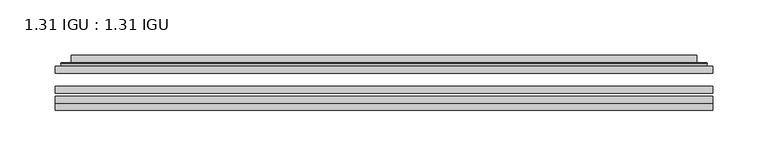
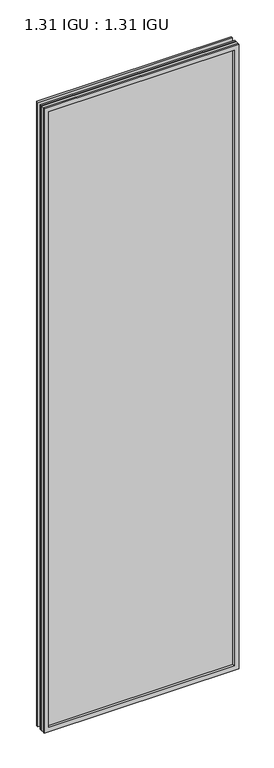
"""IFC4 building model written with IfcOpenShell, lengths in millimetres: plate geometry, 1.31 IGU : 1.31 IGU."""

from ifc_helpers import new_model, si_unit, frame, origin, place, context, project, spatial, polyline, ellipse_curve, outline, extrude, faceted_brep, source, transform, mapped, element, save
from ifc_brep_helpers import plane_surface, cylinder_surface, advanced_brep


def plate_1_31_igu_1_31_igu_c25d092a(model_context):
    return source(origin(), model_context, "Body", "SolidModel", [
        extrude(outline(polyline([(296.8798663, -63.59525), (296.8798663, -69.94525), (-296.8656913, -69.94525), (-296.8656913, -63.59525), (296.8798663, -63.59525)])), frame((0.0, 0.0, -14.2875), z_axis=(0.0, 0.0, 1.0), x_axis=(1.0, 0.0, 0.0)), (0.0, 0.0, 1.0), 2009.8015278),
        extrude(outline(polyline([(-296.8656913, -78.58125), (-296.8656913, -72.230745), (296.8798663, -72.230745), (296.8798663, -78.58125), (-296.8656913, -78.58125)])), frame((0.0, 0.0, -14.2875), z_axis=(0.0, 0.0, 1.0), x_axis=(1.0, 0.0, 0.0)), (0.0, 0.0, 1.0), 2009.8015278),
        extrude(outline(polyline([(296.8798663, -45.25645), (296.8798663, -51.60645), (-296.8656913, -51.60645), (-296.8656913, -45.25645), (296.8798663, -45.25645)])), frame((0.0, 0.0, -14.2875), z_axis=(0.0, 0.0, 1.0), x_axis=(1.0, 0.0, 0.0)), (0.0, 0.0, 1.0), 2009.8015278),
        faceted_brep([(-296.8783913, -84.93125, 1995.5229299), (-296.8783913, -78.58125, 1995.5229299), (-296.8783913, -78.58125, -14.3002), (-296.8783913, -84.93125, -14.3002), (296.8783913, -78.58125, -14.3002), (296.8783913, -84.93125, -14.3002), (296.8783913, -78.58125, 1995.5229299), (296.8783913, -84.93125, 1995.5229299), (-281.6804472, -78.58125, 0.8977441), (281.6804472, -78.58125, 0.8977441), (281.6804472, -78.58125, 1980.3249858), (-281.6804472, -78.58125, 1980.3249858), (-282.5728815, -84.93125, 1981.2174201), (282.5728815, -84.93125, 1981.2174201), (282.5728815, -84.93125, 0.0053098), (-282.5728815, -84.93125, 0.0053098)], [[[0, 1, 2, 3]], [[3, 2, 4, 5]], [[5, 4, 6, 7]], [[1, 6, 4, 2], [8, 9, 10, 11]], [[7, 6, 1, 0]], [[3, 5, 7, 0], [12, 13, 14, 15]], [[11, 12, 15, 8]], [[8, 15, 14, 9]], [[9, 14, 13, 10]], [[10, 13, 12, 11]]]),
        advanced_brep(
        [(-289.6244103, -45.25645, 1988.2689489), (-291.9786157, -43.2667833, 1990.6231543), (-291.9786157, -43.2667833, -9.4004244), (-289.6244103, -45.25645, -7.046219), (-280.5500852, -41.416413, 1979.1946238), (-275.6152534, -45.25645, 1974.2597919), (-275.6152534, -45.25645, 6.9629379), (-280.5500852, -41.416413, 2.0281061), (-281.582113, -36.0191819, 1980.2266515), (-281.582113, -36.0191819, 0.9960783), (-282.5727697, -35.6202069, 1981.2173083), (-282.5727697, -35.6202069, 0.0054216), (-282.5727697, -42.08145, 1981.2173083), (-282.5727697, -42.08145, 0.0054216), (-290.9768262, -42.08145, 1989.6213648), (-290.9768262, -42.08145, -8.3986349), (291.9786157, -43.2667833, -9.4004244), (289.6244103, -45.25645, -7.046219), (275.6152534, -45.25645, 6.9629379), (280.5500852, -41.416413, 2.0281061), (281.582113, -36.0191819, 0.9960783), (282.5727697, -35.6202069, 0.0054216), (282.5727697, -42.08145, 0.0054216), (290.9768262, -42.08145, -8.3986349), (291.9786157, -43.2667833, 1990.6231543), (289.6244103, -45.25645, 1988.2689489), (275.6152534, -45.25645, 1974.2597919), (280.5500852, -41.416413, 1979.1946238), (281.582113, -36.0191819, 1980.2266515), (282.5727697, -35.6202069, 1981.2173083), (282.5727697, -42.08145, 1981.2173083), (290.9768262, -42.08145, 1989.6213648)],
        [
            (0, 1, ellipse_curve(frame((-289.6244103, -42.86885, 1988.2689489), z_axis=(-0.7071067811865475, 0.0, -0.7071067811865475), x_axis=(-0.7071067811865474, 0.0, 0.7071067811865476)), 3.3765763, 2.3876)),
            (1, 2),
            (2, 3, ellipse_curve(frame((-289.6244103, -42.86885, -7.046219), z_axis=(-0.7071067811865475, 0.0, 0.7071067811865475), x_axis=(0.7071067811865474, 0.0, 0.7071067811865476)), 3.3765763, 2.3876)),
            (3, 0),
            (4, 5),
            (5, 6),
            (6, 7),
            (7, 4),
            (8, 4),
            (7, 9),
            (9, 8),
            (10, 8, ellipse_curve(frame((-282.2058132, -36.1384423, 1980.8503517), z_axis=(-0.7071067811865475, 0.0, -0.7071067811865475), x_axis=(-0.7071067811865474, 0.0, 0.7071067811865476)), 0.8980256, 0.635)),
            (9, 11, ellipse_curve(frame((-282.2058132, -36.1384423, 0.3723781), z_axis=(-0.7071067811865475, 0.0, 0.7071067811865475), x_axis=(0.7071067811865474, 0.0, 0.7071067811865476)), 0.8980256, 0.635)),
            (11, 10),
            (12, 10),
            (11, 13),
            (13, 12),
            (1, 14, ellipse_curve(frame((-290.9768262, -43.09745, 1989.6213648), z_axis=(-0.7071067811865475, 0.0, -0.7071067811865475), x_axis=(-0.7071067811865474, 0.0, 0.7071067811865476)), 1.436841, 1.016)),
            (14, 15),
            (15, 2, ellipse_curve(frame((-290.9768262, -43.09745, -8.3986349), z_axis=(-0.7071067811865475, 0.0, 0.7071067811865475), x_axis=(0.7071067811865474, 0.0, 0.7071067811865476)), 1.436841, 1.016)),
            (2, 16),
            (16, 17, ellipse_curve(frame((289.6244103, -42.86885, -7.046219), z_axis=(-0.7071067811865475, 0.0, -0.7071067811865475), x_axis=(-0.7071067811865476, 0.0, 0.7071067811865474)), 3.3765763, 2.3876)),
            (17, 3),
            (6, 18),
            (18, 19),
            (19, 7),
            (19, 20),
            (20, 9),
            (20, 21, ellipse_curve(frame((282.2058132, -36.1384423, 0.3723781), z_axis=(-0.7071067811865475, 0.0, -0.7071067811865475), x_axis=(-0.7071067811865476, 0.0, 0.7071067811865474)), 0.8980256, 0.635)),
            (21, 11),
            (21, 22),
            (22, 13),
            (15, 23),
            (23, 16, ellipse_curve(frame((290.9768262, -43.09745, -8.3986349), z_axis=(-0.7071067811865475, 0.0, -0.7071067811865475), x_axis=(-0.7071067811865476, 0.0, 0.7071067811865474)), 1.436841, 1.016)),
            (16, 24),
            (24, 25, ellipse_curve(frame((289.6244103, -42.86885, 1988.2689489), z_axis=(0.7071067811865475, 0.0, -0.7071067811865475), x_axis=(-0.7071067811865474, 0.0, -0.7071067811865476)), 3.3765763, 2.3876)),
            (25, 17),
            (18, 26),
            (26, 27),
            (27, 19),
            (27, 28),
            (28, 20),
            (28, 29, ellipse_curve(frame((282.2058132, -36.1384423, 1980.8503517), z_axis=(0.7071067811865475, 0.0, -0.7071067811865475), x_axis=(-0.7071067811865474, 0.0, -0.7071067811865476)), 0.8980256, 0.635)),
            (29, 21),
            (29, 30),
            (30, 22),
            (23, 31),
            (31, 24, ellipse_curve(frame((290.9768262, -43.09745, 1989.6213648), z_axis=(0.7071067811865475, 0.0, -0.7071067811865475), x_axis=(-0.7071067811865474, 0.0, -0.7071067811865476)), 1.436841, 1.016)),
            (24, 1),
            (0, 25),
            (5, 26),
            (4, 27),
            (8, 28),
            (10, 29),
            (12, 30),
            (14, 31),
        ],
        [
            cylinder_surface(frame((-289.6244103, -42.86885, 2012.9727299), z_axis=(0.0, 0.0, 1.0), x_axis=(-1.0, 0.0, 0.0)), 2.3876),
            plane_surface(frame((-275.6152534, -45.25645, 1974.2597919), z_axis=(0.6141233906514794, 0.7892100234124821, 0.0), x_axis=(0.0, 0.0, -1.0))),
            plane_surface(frame((-280.5500852, -41.416413, 1979.1946238), z_axis=(0.9822050625507729, 0.18781164793386076, 0.0), x_axis=(0.0, 0.0, -1.0))),
            cylinder_surface(frame((-282.2058132, -36.1384423, 2012.9727299), z_axis=(0.0, 0.0, 1.0), x_axis=(-1.0, 0.0, 0.0)), 0.635),
            plane_surface(frame((-282.5727697, -35.6202069, 1981.2173083), z_axis=(-1.0, 0.0, 0.0), x_axis=(0.0, 0.0, -1.0))),
            cylinder_surface(frame((-290.9768262, -43.09745, 2012.9727299), z_axis=(0.0, 0.0, 1.0), x_axis=(-1.0, 0.0, 0.0)), 1.016),
            cylinder_surface(frame((-314.3281913, -42.86885, -7.046219), z_axis=(-1.0, 0.0, 0.0), x_axis=(0.0, 0.0, -1.0)), 2.3876),
            plane_surface(frame((-275.6152534, -45.25645, 6.9629379), z_axis=(0.0, 0.7892100234124841, 0.6141233906514768), x_axis=(1.0, 0.0, 0.0))),
            plane_surface(frame((-280.5500852, -41.416413, 2.0281061), z_axis=(0.0, 0.18781164793386393, 0.9822050625507723), x_axis=(1.0, 0.0, 0.0))),
            cylinder_surface(frame((-314.3281913, -36.1384423, 0.3723781), z_axis=(-1.0, 0.0, 0.0), x_axis=(0.0, 0.0, -1.0)), 0.635),
            plane_surface(frame((-282.5727697, -35.6202069, 0.0054216), z_axis=(0.0, 0.0, -1.0), x_axis=(1.0, 0.0, 0.0))),
            cylinder_surface(frame((-314.3281913, -43.09745, -8.3986349), z_axis=(-1.0, 0.0, 0.0), x_axis=(0.0, 0.0, -1.0)), 1.016),
            cylinder_surface(frame((289.6244103, -42.86885, -31.75), z_axis=(0.0, 0.0, -1.0), x_axis=(1.0, 0.0, 0.0)), 2.3876),
            plane_surface(frame((275.6152534, -45.25645, 6.9629379), z_axis=(-0.6141233906514743, 0.7892100234124861, 0.0), x_axis=(0.0, 0.0, 1.0))),
            plane_surface(frame((280.5500852, -41.416413, 2.0281061), z_axis=(-0.9822050625507718, 0.1878116479338671, 0.0), x_axis=(0.0, 0.0, 1.0))),
            cylinder_surface(frame((282.2058132, -36.1384423, -31.75), z_axis=(0.0, 0.0, -1.0), x_axis=(1.0, 0.0, 0.0)), 0.635),
            plane_surface(frame((282.5727697, -35.6202069, 0.0054216), z_axis=(1.0, 0.0, 0.0), x_axis=(0.0, 0.0, 1.0))),
            cylinder_surface(frame((290.9768262, -43.09745, -31.75), z_axis=(0.0, 0.0, -1.0), x_axis=(1.0, 0.0, 0.0)), 1.016),
            cylinder_surface(frame((314.3281913, -42.86885, 1988.2689489), z_axis=(1.0, 0.0, 0.0), x_axis=(0.0, 0.0, 1.0)), 2.3876),
            plane_surface(frame((289.6244103, -45.25645, 1988.2689489), z_axis=(0.0, -1.0, 0.0), x_axis=(-1.0, 0.0, 0.0))),
            plane_surface(frame((275.6152534, -45.25645, 1974.2597919), z_axis=(0.0, 0.7892100234124841, -0.6141233906514768), x_axis=(-1.0, 0.0, 0.0))),
            plane_surface(frame((280.5500852, -41.416413, 1979.1946238), z_axis=(0.0, 0.18781164793386393, -0.9822050625507723), x_axis=(-1.0, 0.0, 0.0))),
            cylinder_surface(frame((314.3281913, -36.1384423, 1980.8503517), z_axis=(1.0, 0.0, 0.0), x_axis=(0.0, 0.0, 1.0)), 0.635),
            plane_surface(frame((282.5727697, -35.6202069, 1981.2173083), z_axis=(0.0, 0.0, 1.0), x_axis=(-1.0, 0.0, 0.0))),
            plane_surface(frame((282.5727697, -42.08145, 1981.2173083), z_axis=(0.0, 1.0, 0.0), x_axis=(-1.0, 0.0, 0.0))),
            cylinder_surface(frame((314.3281913, -43.09745, 1989.6213648), z_axis=(1.0, 0.0, 0.0), x_axis=(0.0, 0.0, 1.0)), 1.016),
        ],
        [
            (0, [[1, 2, 3, 4]]),
            (1, [[5, 6, 7, 8]]),
            (2, [[9, -8, 10, 11]]),
            (3, [[12, -11, 13, 14]]),
            (4, [[15, -14, 16, 17]]),
            (5, [[18, 19, 20, -2]]),
            (6, [[-3, 21, 22, 23]]),
            (7, [[-7, 24, 25, 26]]),
            (8, [[-10, -26, 27, 28]]),
            (9, [[-13, -28, 29, 30]]),
            (10, [[-16, -30, 31, 32]]),
            (11, [[-20, 33, 34, -21]]),
            (12, [[-22, 35, 36, 37]]),
            (13, [[-25, 38, 39, 40]]),
            (14, [[-27, -40, 41, 42]]),
            (15, [[-29, -42, 43, 44]]),
            (16, [[-31, -44, 45, 46]]),
            (17, [[-34, 47, 48, -35]]),
            (18, [[-36, 49, -1, 50]]),
            (19, [[-23, -37, -50, -4], [51, -38, -24, -6]]),
            (20, [[-39, -51, -5, 52]]),
            (21, [[-41, -52, -9, 53]]),
            (22, [[-43, -53, -12, 54]]),
            (23, [[-45, -54, -15, 55]]),
            (24, [[56, -47, -33, -19], [-32, -46, -55, -17]]),
            (25, [[-48, -56, -18, -49]]),
        ],
    ),
    ])


if __name__ == "__main__":
    model = new_model("IFC4")
    model_context = context("Model", 3, world=origin())
    ifc_project = project(units=[si_unit("LENGTHUNIT", "METRE", prefix="MILLI")], contexts=[model_context])
    site = spatial("IfcSite", under=ifc_project)
    building = spatial("IfcBuilding", under=site)
    placement = place(None, origin())
    plate_1_31_igu_1_31_igu_shape = plate_1_31_igu_1_31_igu_c25d092a(model_context)
    element("IfcPlate", 1, ObjectType="1.31 IGU : 1.31 IGU", at=placement, inside=building, context=model_context, shape_type="MappedRepresentation", body=[
        mapped(plate_1_31_igu_1_31_igu_shape, transform((0.0, 0.0, 0.0), x_axis=(1.0, 0.0, 0.0), y_axis=(0.0, 1.0, 0.0), z_axis=(0.0, 0.0, 1.0))),
    ])
    save(model, "model.ifc")
